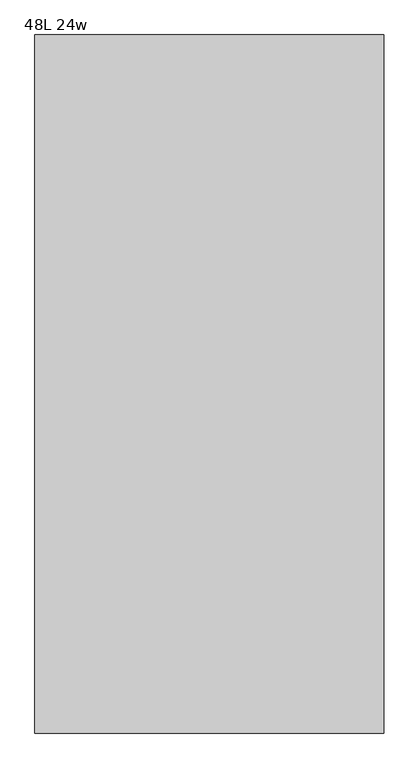
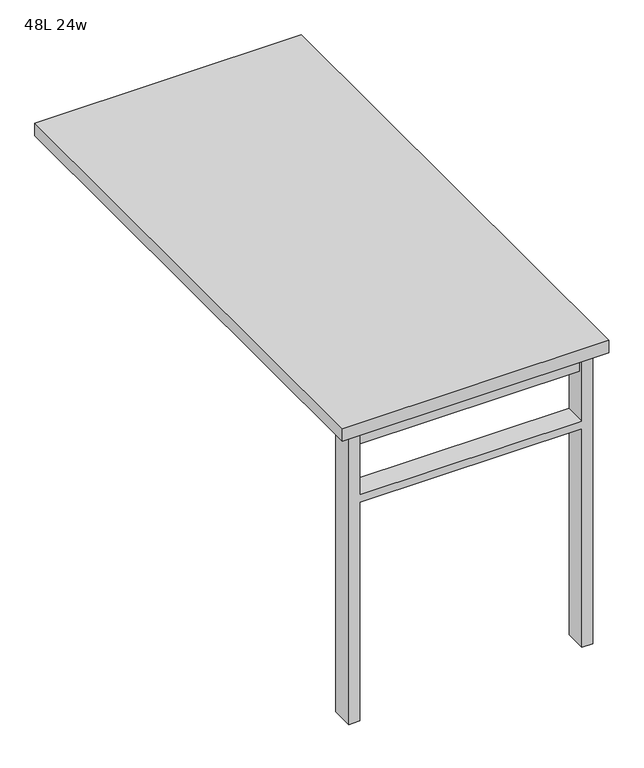
"""IFC4 building model written with IfcOpenShell, lengths in millimetres: furniture geometry, 48L 24w."""

import ifcopenshell
import ifcopenshell.guid

model = None  # the IFC model being written
_history = None  # IfcOwnerHistory: only IFC2X3 demands one
_inside = {}  # id of a spatial element -> (the spatial element, [elements in it])
_under = {}  # id of a project, library or spatial element -> (it, [spatial elements below it])
_declared = {}  # id of a project -> (the project, [libraries it declares])
_typed = {}  # id of a type object -> (the type object, [elements of that type])
_made_of = {}  # id of a material, layer set ... -> (it, [elements and type objects made of it])


def new_model(schema):
    """Start an empty IFC model of exactly this schema.

    Asked for "IFC4X3", IfcOpenShell would pick the latest addendum, in which some entities
    have other attributes; the version numbers below select the first issue.
    IFC2X3 requires an IfcOwnerHistory on every rooted entity: one is made here for all.
    """
    global model, _history
    if schema == "IFC4X3":
        model = ifcopenshell.file(schema_version=(4, 3, 0, 0))
    else:
        model = ifcopenshell.file(schema=schema)
    _inside.clear()
    _under.clear()
    _declared.clear()
    _typed.clear()
    _made_of.clear()
    _history = None
    if model.schema == "IFC2X3":
        org = make("IfcOrganization", Name="unknown")
        user = make(
            "IfcPersonAndOrganization",
            ThePerson=make("IfcPerson", FamilyName="unknown"),
            TheOrganization=org,
        )
        app = make(
            "IfcApplication",
            ApplicationDeveloper=org,
            Version="unknown",
            ApplicationFullName="unknown",
            ApplicationIdentifier="unknown",
        )
        _history = make(
            "IfcOwnerHistory",
            OwningUser=user,
            OwningApplication=app,
            ChangeAction="ADDED",
            CreationDate=0,
        )
    return model


def make(cls, **values):
    """One entity of the class cls with the attributes given. An attribute that is None is left unset."""
    return model.create_entity(
        cls, **{name: value for name, value in values.items() if value is not None}
    )


def rooted(cls, **values):
    """An entity with a GlobalId (a new one), such as an element, a storey or a relation."""
    return make(cls, GlobalId=ifcopenshell.guid.new(), OwnerHistory=_history, **values)


def si_unit(unit_type, name, prefix=None):
    """IfcSIUnit, for example si_unit("LENGTHUNIT", "METRE", prefix="MILLI")."""
    return make("IfcSIUnit", UnitType=unit_type, Prefix=prefix, Name=name)


def assignment(units):
    """IfcUnitAssignment: the units of a project."""
    return None if units is None else make("IfcUnitAssignment", Units=units)


def point(xyz):
    """IfcCartesianPoint."""
    return None if xyz is None else make("IfcCartesianPoint", Coordinates=xyz)


def direction(xyz):
    """IfcDirection."""
    return None if xyz is None else make("IfcDirection", DirectionRatios=xyz)


def frame(location, z_axis=None, x_axis=None):
    """IfcAxis2Placement3D, a coordinate frame: its origin and axes. An axis left out is left unset."""
    return make(
        "IfcAxis2Placement3D",
        Location=point(location),
        Axis=direction(z_axis),
        RefDirection=direction(x_axis),
    )


def origin():
    """The frame at (0, 0, 0) with its axes left unset."""
    return frame((0.0, 0.0, 0.0))


def place(relative_to, where):
    """IfcLocalPlacement: puts the frame where relative to a parent placement (None: the world)."""
    return make(
        "IfcLocalPlacement", PlacementRelTo=relative_to, RelativePlacement=where
    )


def context(
    kind, dimensions, precision=None, world=None, true_north=None, identifier=None
):
    """IfcGeometricRepresentationContext, for example the 3D "Model" context."""
    return make(
        "IfcGeometricRepresentationContext",
        ContextIdentifier=identifier,
        ContextType=kind,
        CoordinateSpaceDimension=dimensions,
        Precision=precision,
        WorldCoordinateSystem=world,
        TrueNorth=true_north,
    )


def project(units=None, contexts=None):
    """IfcProject with its units and contexts."""
    return rooted(
        "IfcProject",
        Name="project",
        RepresentationContexts=contexts,
        UnitsInContext=assignment(units),
    )


def spatial(cls, under=None, at=None, **own):
    """A site, building, storey or space (cls), placed at a placement, below another one or the project."""
    s = rooted(cls, ObjectPlacement=at, **own)
    if under is not None:
        _under.setdefault(under.id(), (under, []))[1].append(s)
    return s


def polyline(points):
    """IfcPolyline through the points."""
    return make("IfcPolyline", Points=[point(p) for p in points])


def outline(outer, holes=None, kind="AREA"):
    """IfcArbitraryClosedProfileDef: a profile drawn as a closed curve; with holes, ...WithVoids."""
    if holes is None:
        return make("IfcArbitraryClosedProfileDef", ProfileType=kind, OuterCurve=outer)
    return make(
        "IfcArbitraryProfileDefWithVoids",
        ProfileType=kind,
        OuterCurve=outer,
        InnerCurves=holes,
    )


def extrude(swept, where, along, depth):
    """IfcExtrudedAreaSolid: the profile swept, set in the frame where, extruded along a direction by depth."""
    return make(
        "IfcExtrudedAreaSolid",
        SweptArea=swept,
        Position=where,
        ExtrudedDirection=direction(along),
        Depth=depth,
    )


def shape(context_of_items, identifier, shape_type, items):
    """IfcShapeRepresentation: the items that make up one representation, for example the "Body"."""
    return make(
        "IfcShapeRepresentation",
        ContextOfItems=context_of_items,
        RepresentationIdentifier=identifier,
        RepresentationType=shape_type,
        Items=items,
    )


def source(mapping_origin, context_of_items, identifier, shape_type, items):
    """IfcRepresentationMap: a shape defined once, which mapped items show again and again."""
    return make(
        "IfcRepresentationMap",
        MappingOrigin=mapping_origin,
        MappedRepresentation=shape(context_of_items, identifier, shape_type, items),
    )


def transform(
    local_origin,
    x_axis=None,
    y_axis=None,
    z_axis=None,
    scale=None,
    scale2=None,
    scale3=None,
    uniform=True,
):
    """IfcCartesianTransformationOperator3D, or its non-uniform kind. x_axis, y_axis, z_axis: its Axis1, 2, 3."""
    if uniform:
        return make(
            "IfcCartesianTransformationOperator3D",
            Axis1=direction(x_axis),
            Axis2=direction(y_axis),
            LocalOrigin=point(local_origin),
            Scale=scale,
            Axis3=direction(z_axis),
        )
    return make(
        "IfcCartesianTransformationOperator3DnonUniform",
        Axis1=direction(x_axis),
        Axis2=direction(y_axis),
        LocalOrigin=point(local_origin),
        Scale=scale,
        Axis3=direction(z_axis),
        Scale2=scale2,
        Scale3=scale3,
    )


def mapped(mapping_source, mapping_target):
    """IfcMappedItem: shows the shape of a source again, moved by a transform."""
    return make(
        "IfcMappedItem", MappingSource=mapping_source, MappingTarget=mapping_target
    )


def made_of(thing, what):
    """Note that an element or type object is made of a material, layer set ...; save() writes the relation."""
    if what is not None:
        _made_of.setdefault(what.id(), (what, []))[1].append(thing)
    return thing


def element(
    cls,
    number,
    at=None,
    inside=None,
    cuts=None,
    type_object=None,
    material=None,
    context=None,
    identifier="Body",
    shape_type=None,
    held_by="IfcProductDefinitionShape",
    body=None,
    shapes=None,
    **own,
):
    """One element of the class cls, such as IfcWall. Its Tag is "e" and its number.

    at: its placement. inside: the storey or other place that contains it. cuts: it is an
    opening in that element (IfcRelVoidsElement). A single representation is given by context,
    identifier, shape_type and body (its items); several are given by shapes. held_by: the class
    of the entity that holds the representations. save() writes the other relations.
    """
    e = rooted(cls, Tag="e%d" % number, ObjectPlacement=at, **own)
    if body is not None:
        shapes = [shape(context, identifier, shape_type, body)]
    if shapes is not None:
        e.Representation = make(held_by, Representations=shapes)
    if inside is not None:
        _inside.setdefault(inside.id(), (inside, []))[1].append(e)
    if cuts is not None:
        rooted(
            "IfcRelVoidsElement", RelatingBuildingElement=cuts, RelatedOpeningElement=e
        )
    if type_object is not None:
        _typed.setdefault(type_object.id(), (type_object, []))[1].append(e)
    return made_of(e, material)


def aggregate(whole, parts):
    """IfcRelAggregates: a whole, such as a stair, and the parts it consists of."""
    return rooted("IfcRelAggregates", RelatingObject=whole, RelatedObjects=parts)


def save(model, path):
    """Write the relations noted so far, then the file.

    IfcRelAggregates (storeys below a building ...), IfcRelContainedInSpatialStructure (elements
    in a storey), IfcRelDefinesByType, IfcRelAssociatesMaterial and IfcRelDeclares: one each for
    every whole, place, type object, material and project.
    """
    for whole, parts in _under.values():
        aggregate(whole, parts)
    for where, things in _inside.values():
        rooted(
            "IfcRelContainedInSpatialStructure",
            RelatedElements=things,
            RelatingStructure=where,
        )
    for kind, things in _typed.values():
        rooted("IfcRelDefinesByType", RelatedObjects=things, RelatingType=kind)
    for what, things in _made_of.values():
        rooted("IfcRelAssociatesMaterial", RelatedObjects=things, RelatingMaterial=what)
    for by, libraries in _declared.values():
        rooted("IfcRelDeclares", RelatingContext=by, RelatedDefinitions=libraries)
    model.write(path)


def furniture_48l_24w_44644dc3(model_context):
    return source(origin(), model_context, "Body", "SweptSolid", [
        extrude(outline(polyline([(-254.0, -549.275), (254.0, -549.275), (254.0, -581.025), (-254.0, -581.025), (-254.0, -549.275)])), frame((0.0, 0.0, 661.9875), z_axis=(0.0, 0.0, 1.0), x_axis=(1.0, 0.0, 0.0)), (0.0, 0.0, 1.0), 44.45),
        extrude(outline(polyline([(528.6375, 254.0), (0.0, 254.0), (0.0, 279.4), (706.4375, 279.4), (706.4375, 254.0), (547.6875, 254.0), (547.6875, -254.0), (706.4375, -254.0), (706.4375, -279.4), (0.0, -279.4), (0.0, -254.0), (528.6375, -254.0), (528.6375, 254.0)])), frame((0.0, -590.55, 0.0), z_axis=(0.0, 1.0, 0.0), x_axis=(0.0, 0.0, 1.0)), (0.0, 0.0, 1.0), 50.8),
        extrude(outline(polyline([(-304.8, -609.6), (-304.8, 609.6), (304.8, 609.6), (304.8, -609.6), (-304.8, -609.6)])), frame((0.0, 0.0, 706.4375), z_axis=(0.0, 0.0, 1.0), x_axis=(1.0, 0.0, 0.0)), (0.0, 0.0, 1.0), 30.1625),
    ])


if __name__ == "__main__":
    model = new_model("IFC4")
    model_context = context("Model", 3, world=origin())
    ifc_project = project(units=[si_unit("LENGTHUNIT", "METRE", prefix="MILLI")], contexts=[model_context])
    site = spatial("IfcSite", under=ifc_project)
    building = spatial("IfcBuilding", under=site)
    placement = place(None, origin())
    furniture_48l_24w_shape = furniture_48l_24w_44644dc3(model_context)
    element("IfcFurniture", 1, ObjectType="48L 24w", at=placement, inside=building, context=model_context, shape_type="MappedRepresentation", body=[
        mapped(furniture_48l_24w_shape, transform((0.0, 0.0, 0.0), x_axis=(1.0, 0.0, 0.0), y_axis=(0.0, 1.0, 0.0), z_axis=(0.0, 0.0, 1.0))),
    ])
    save(model, "model.ifc")
